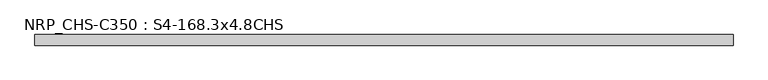
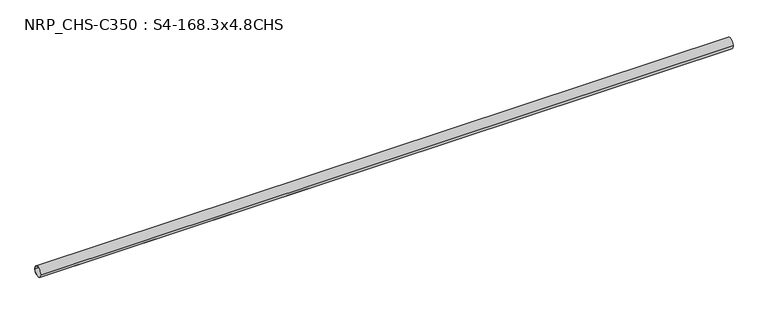
"""IFC4 building model written with IfcOpenShell, lengths in millimetres: beam geometry, NRP_CHS-C350 : S4-168.3x4.8CHS."""

from ifc_helpers import new_model, si_unit, point, frame, origin, origin_2d, place, context, project, spatial, circle_curve, trimmed, segment, composite_curve, outline, extrude, source, transform, mapped, element, save


def nrp_chs_c350_s4_168_3x4_8chs_01708cc4(model_context):
    return source(origin(), model_context, "Body", "SweptSolid", [
        extrude(outline(composite_curve([segment(trimmed(circle_curve(origin_2d(), 84.15), [point((-84.15, 0.0))], [point((84.15, 0.0))], False, "CARTESIAN"), True, "CONTINUOUS"), segment(trimmed(circle_curve(origin_2d(), 84.15), [point((84.15, 0.0))], [point((-84.15, 0.0))], False, "CARTESIAN"), True, "CONTINUOUS")], self_intersect=False), holes=[composite_curve([segment(trimmed(circle_curve(origin_2d(), 79.35), [point((79.35, 0.0))], [point((-79.35, 0.0))], True, "CARTESIAN"), True, "CONTINUOUS"), segment(trimmed(circle_curve(origin_2d(), 79.35), [point((-79.35, 0.0))], [point((79.35, 0.0))], True, "CARTESIAN"), True, "CONTINUOUS")], self_intersect=False)]), frame((-5512.3, 0.0, 0.0), z_axis=(1.0, 0.0, 0.0), x_axis=(0.0, 1.0, 0.0)), (0.0, 0.0, 1.0), 11024.6),
    ])


if __name__ == "__main__":
    model = new_model("IFC4")
    model_context = context("Model", 3, world=origin())
    ifc_project = project(units=[si_unit("LENGTHUNIT", "METRE", prefix="MILLI")], contexts=[model_context])
    site = spatial("IfcSite", under=ifc_project)
    building = spatial("IfcBuilding", under=site)
    placement = place(None, origin())
    nrp_chs_c350_s4_168_3x4_8chs_shape = nrp_chs_c350_s4_168_3x4_8chs_01708cc4(model_context)
    element("IfcBeam", 1, ObjectType="NRP_CHS-C350 : S4-168.3x4.8CHS", at=placement, inside=building, context=model_context, shape_type="MappedRepresentation", body=[
        mapped(nrp_chs_c350_s4_168_3x4_8chs_shape, transform((0.0, 0.0, 0.0), x_axis=(1.0, 0.0, 0.0), y_axis=(0.0, 1.0, 0.0), z_axis=(0.0, 0.0, 1.0))),
    ])
    save(model, "model.ifc")
